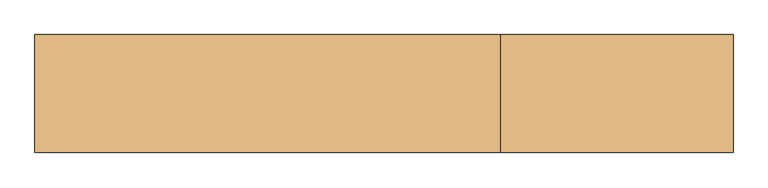
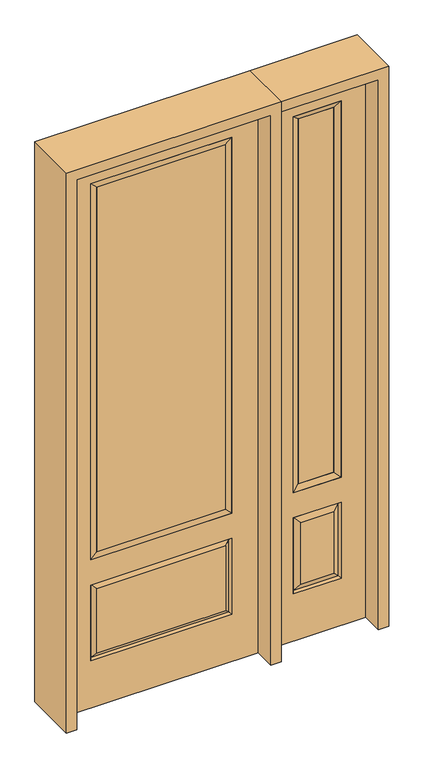
"""IFC4 building model written with IfcOpenShell, lengths in millimetres: door geometry."""

from ifc_helpers import new_model, si_unit, frame, origin, place, context, project, spatial, polyline, outline, extrude, faceted_brep, source, transform, mapped, element, save


def door_54ccc2fe(model_context):
    return source(origin(), model_context, "Body", "SolidModel", [
        faceted_brep([(450.85, -22.225, 0.0), (857.25, -22.225, 0.0), (857.25, -22.225, 2438.4), (450.85, -22.225, 2438.4), (754.38, -22.225, 2325.624), (754.38, -22.225, 657.098), (553.72, -22.225, 657.098), (553.72, -22.225, 2325.624), (754.38, -22.225, 209.55), (553.72, -22.225, 209.55), (553.72, -22.225, 546.1), (754.38, -22.225, 546.1), (585.4351001, -22.225, 241.2651001), (722.6648999, -22.225, 241.2651001), (722.6648999, -22.225, 514.3848999), (585.4351001, -22.225, 514.3848999), (450.85, 22.225, 0.0), (450.85, 22.225, 2438.4), (857.25, 22.225, 2438.4), (857.25, 22.225, 0.0), (754.38, 22.225, 2325.624), (553.72, 22.225, 2325.624), (553.72, 22.225, 657.098), (754.38, 22.225, 657.098), (553.72, 22.225, 209.55), (754.38, 22.225, 209.55), (754.38, 22.225, 546.1), (553.72, 22.225, 546.1), (722.6648999, 22.225, 241.2651001), (585.4351001, 22.225, 241.2651001), (585.4351001, 22.225, 514.3848999), (722.6648999, 22.225, 514.3848999), (747.2711499, 12.7912373, 216.6588501), (560.8288501, 12.7912373, 216.6588501), (560.8288501, 12.7912373, 538.9911499), (747.2711499, 12.7912373, 538.9911499), (560.8288501, -12.7912373, 216.6588501), (747.2711499, -12.7912373, 216.6588501), (560.8288501, -12.7912373, 538.9911499), (747.2711499, -12.7912373, 538.9911499)], [[[0, 1, 2, 3], [4, 5, 6, 7], [8, 9, 10, 11]], [[12, 13, 14, 15]], [[16, 17, 18, 19], [20, 21, 22, 23], [24, 25, 26, 27]], [[28, 29, 30, 31]], [[1, 0, 16, 19]], [[2, 1, 19, 18]], [[3, 2, 18, 17]], [[0, 3, 17, 16]], [[5, 4, 20, 23]], [[6, 5, 23, 22]], [[7, 6, 22, 21]], [[4, 7, 21, 20]], [[32, 33, 29, 28]], [[33, 32, 25, 24]], [[29, 33, 34, 30]], [[33, 24, 27, 34]], [[30, 34, 35, 31]], [[34, 27, 26, 35]], [[32, 28, 31, 35]], [[25, 32, 35, 26]], [[12, 36, 37, 13]], [[37, 36, 9, 8]], [[36, 12, 15, 38]], [[9, 36, 38, 10]], [[38, 15, 14, 39]], [[10, 38, 39, 11]], [[13, 37, 39, 14]], [[37, 8, 11, 39]]]),
        faceted_brep([(553.72, 22.225, 2325.624), (553.72, -22.225, 2325.624), (754.38, -22.225, 2325.624), (754.38, 22.225, 2325.624), (579.12, 12.7, 2300.224), (728.98, 12.7, 2300.224), (579.12, -12.7, 2300.224), (728.98, -12.7, 2300.224), (754.38, -22.225, 657.098), (754.38, 22.225, 657.098), (728.98, 12.7, 682.498), (728.98, -12.7, 682.498), (553.72, -22.225, 657.098), (553.72, 22.225, 657.098), (579.12, 12.7, 682.498), (579.12, -12.7, 682.498)], [[[0, 1, 2, 3]], [[4, 0, 3, 5]], [[6, 4, 5, 7]], [[1, 6, 7, 2]], [[3, 2, 8, 9]], [[5, 3, 9, 10]], [[7, 5, 10, 11]], [[2, 7, 11, 8]], [[9, 8, 12, 13]], [[10, 9, 13, 14]], [[11, 10, 14, 15]], [[8, 11, 15, 12]], [[13, 12, 1, 0]], [[14, 13, 0, 4]], [[15, 14, 4, 6]], [[12, 15, 6, 1]]]),
        extrude(outline(polyline([(728.98, -12.7), (579.12, -12.7), (579.12, 12.7), (728.98, 12.7), (728.98, -12.7)])), frame((0.0, 0.0, 682.498), z_axis=(0.0, 0.0, 1.0), x_axis=(1.0, 0.0, 0.0)), (0.0, 0.0, 1.0), 1617.726),
        extrude(outline(polyline([(269.875, -20.32), (-269.875, -20.32), (-269.875, 5.08), (269.875, 5.08), (269.875, -20.32)])), frame((0.0, 0.0, 682.498), z_axis=(0.0, 0.0, 1.0), x_axis=(1.0, 0.0, 0.0)), (0.0, 0.0, 1.0), 1616.202),
        faceted_brep([(-288.1661499, -12.7912373, 216.6588501), (288.1661499, -12.7912373, 216.6588501), (270.66875, -22.225, 234.15625), (-270.66875, -22.225, 234.15625), (-295.275, -22.225, 209.55), (295.275, -22.225, 209.55), (-288.1661499, -12.7912373, 538.9911499), (-295.275, -22.225, 546.1), (270.66875, -22.225, 521.49375), (-270.66875, -22.225, 521.49375), (406.4, -22.225, 2438.4), (-406.4, -22.225, 2438.4), (-406.4, -22.225, 0.0), (406.4, -22.225, 0.0), (295.275, -22.225, 546.1), (295.275, -22.225, 2324.1), (295.275, -22.225, 657.098), (-295.275, -22.225, 657.098), (-295.275, -22.225, 2324.1), (288.1661499, -12.7912373, 538.9911499), (-406.4, 22.225, 2438.4), (-406.4, 22.225, 0.0), (406.4, 22.225, 0.0), (406.4, 22.225, 2438.4), (295.275, 22.225, 2324.1), (295.275, 22.225, 657.098), (-295.275, 22.225, 657.098), (-295.275, 22.225, 2324.1), (-295.275, 22.225, 209.55), (295.275, 22.225, 209.55), (295.275, 22.225, 546.1), (-295.275, 22.225, 546.1), (270.66875, 22.225, 234.15625), (-270.66875, 22.225, 234.15625), (-270.66875, 22.225, 521.49375), (270.66875, 22.225, 521.49375), (-288.1661499, 12.7912373, 216.6588501), (288.1661499, 12.7912373, 216.6588501), (288.1661499, 12.7912373, 538.9911499), (-288.1661499, 12.7912373, 538.9911499)], [[[0, 1, 2, 3]], [[1, 0, 4, 5]], [[4, 0, 6, 7]], [[3, 2, 8, 9]], [[10, 11, 12, 13], [5, 4, 7, 14], [15, 16, 17, 18]], [[1, 5, 14, 19]], [[2, 1, 19, 8]], [[0, 3, 9, 6]], [[7, 6, 19, 14]], [[6, 9, 8, 19]], [[12, 11, 20, 21]], [[13, 12, 21, 22]], [[10, 13, 22, 23]], [[16, 15, 24, 25]], [[17, 16, 25, 26]], [[18, 17, 26, 27]], [[23, 22, 21, 20], [28, 29, 30, 31], [24, 27, 26, 25]], [[32, 33, 34, 35]], [[28, 36, 37, 29]], [[29, 37, 38, 30]], [[39, 31, 30, 38]], [[36, 28, 31, 39]], [[37, 36, 33, 32]], [[33, 36, 39, 34]], [[34, 39, 38, 35]], [[37, 32, 35, 38]], [[11, 10, 23, 20]], [[15, 18, 27, 24]]]),
        faceted_brep([(-295.275, -22.225, 2324.1), (-295.275, 22.225, 2324.1), (-295.275, 22.225, 657.098), (-295.275, -22.225, 657.098), (295.275, 22.225, 657.098), (295.275, -22.225, 657.098), (-269.875, 5.08, 682.498), (269.875, 5.08, 682.498), (295.275, 22.225, 2324.1), (295.275, -22.225, 2324.1), (-269.875, -20.32, 682.498), (269.875, -20.32, 682.498), (-269.875, -20.32, 2298.7), (269.875, -20.32, 2298.7), (-269.875, 5.08, 2298.7), (269.875, 5.08, 2298.7)], [[[0, 1, 2, 3]], [[3, 2, 4, 5]], [[2, 6, 7, 4]], [[5, 4, 8, 9]], [[10, 3, 5, 11]], [[12, 0, 3, 10]], [[11, 5, 9, 13]], [[6, 10, 11, 7]], [[14, 12, 10, 6]], [[7, 11, 13, 15]], [[1, 14, 6, 2]], [[4, 7, 15, 8]], [[9, 8, 1, 0]], [[13, 9, 0, 12]], [[15, 13, 12, 14]], [[8, 15, 14, 1]]]),
        extrude(outline(polyline([(2482.85, -450.85), (0.0, -450.85), (0.0, -406.4), (2438.4, -406.4), (2438.4, 406.4), (0.0, 406.4), (0.0, 450.85), (2482.85, 450.85), (2482.85, -450.85)])), frame((0.0, -114.3, 0.0), z_axis=(0.0, 1.0, 0.0), x_axis=(0.0, 0.0, 1.0)), (0.0, 0.0, 1.0), 228.6),
        extrude(outline(polyline([(0.0, 857.25), (0.0, 901.7), (2482.85, 901.7), (2482.85, 450.85), (2438.4, 450.85), (2438.4, 857.25), (0.0, 857.25)])), frame((0.0, -114.3, 0.0), z_axis=(0.0, 1.0, 0.0), x_axis=(0.0, 0.0, 1.0)), (0.0, 0.0, 1.0), 228.6),
    ])


if __name__ == "__main__":
    model = new_model("IFC4")
    model_context = context("Model", 3, world=origin())
    ifc_project = project(units=[si_unit("LENGTHUNIT", "METRE", prefix="MILLI")], contexts=[model_context])
    site = spatial("IfcSite", under=ifc_project)
    building = spatial("IfcBuilding", under=site)
    placement = place(None, origin())
    door_shape = door_54ccc2fe(model_context)
    element("IfcDoor", 1, at=placement, inside=building, context=model_context, shape_type="MappedRepresentation", body=[
        mapped(door_shape, transform((0.0, 0.0, 0.0), x_axis=(1.0, 0.0, 0.0), y_axis=(0.0, 1.0, 0.0), z_axis=(0.0, 0.0, 1.0))),
    ])
    save(model, "model.ifc")
